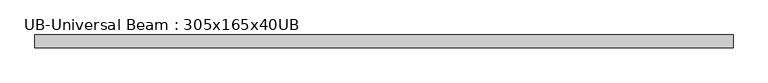
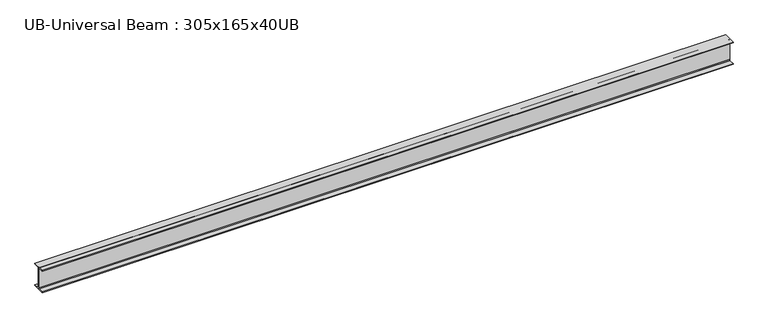
"""IFC4 building model written with IfcOpenShell, lengths in millimetres: beam geometry, UB-Universal Beam : 305x165x40UB."""

import ifcopenshell
import ifcopenshell.guid

model = None  # the IFC model being written
_history = None  # IfcOwnerHistory: only IFC2X3 demands one
_inside = {}  # id of a spatial element -> (the spatial element, [elements in it])
_under = {}  # id of a project, library or spatial element -> (it, [spatial elements below it])
_declared = {}  # id of a project -> (the project, [libraries it declares])
_typed = {}  # id of a type object -> (the type object, [elements of that type])
_made_of = {}  # id of a material, layer set ... -> (it, [elements and type objects made of it])


def new_model(schema):
    """Start an empty IFC model of exactly this schema.

    Asked for "IFC4X3", IfcOpenShell would pick the latest addendum, in which some entities
    have other attributes; the version numbers below select the first issue.
    IFC2X3 requires an IfcOwnerHistory on every rooted entity: one is made here for all.
    """
    global model, _history
    if schema == "IFC4X3":
        model = ifcopenshell.file(schema_version=(4, 3, 0, 0))
    else:
        model = ifcopenshell.file(schema=schema)
    _inside.clear()
    _under.clear()
    _declared.clear()
    _typed.clear()
    _made_of.clear()
    _history = None
    if model.schema == "IFC2X3":
        org = make("IfcOrganization", Name="unknown")
        user = make(
            "IfcPersonAndOrganization",
            ThePerson=make("IfcPerson", FamilyName="unknown"),
            TheOrganization=org,
        )
        app = make(
            "IfcApplication",
            ApplicationDeveloper=org,
            Version="unknown",
            ApplicationFullName="unknown",
            ApplicationIdentifier="unknown",
        )
        _history = make(
            "IfcOwnerHistory",
            OwningUser=user,
            OwningApplication=app,
            ChangeAction="ADDED",
            CreationDate=0,
        )
    return model


def make(cls, **values):
    """One entity of the class cls with the attributes given. An attribute that is None is left unset."""
    return model.create_entity(
        cls, **{name: value for name, value in values.items() if value is not None}
    )


def rooted(cls, **values):
    """An entity with a GlobalId (a new one), such as an element, a storey or a relation."""
    return make(cls, GlobalId=ifcopenshell.guid.new(), OwnerHistory=_history, **values)


def si_unit(unit_type, name, prefix=None):
    """IfcSIUnit, for example si_unit("LENGTHUNIT", "METRE", prefix="MILLI")."""
    return make("IfcSIUnit", UnitType=unit_type, Prefix=prefix, Name=name)


def assignment(units):
    """IfcUnitAssignment: the units of a project."""
    return None if units is None else make("IfcUnitAssignment", Units=units)


def point(xyz):
    """IfcCartesianPoint."""
    return None if xyz is None else make("IfcCartesianPoint", Coordinates=xyz)


def direction(xyz):
    """IfcDirection."""
    return None if xyz is None else make("IfcDirection", DirectionRatios=xyz)


def frame(location, z_axis=None, x_axis=None):
    """IfcAxis2Placement3D, a coordinate frame: its origin and axes. An axis left out is left unset."""
    return make(
        "IfcAxis2Placement3D",
        Location=point(location),
        Axis=direction(z_axis),
        RefDirection=direction(x_axis),
    )


def frame_2d(location, x_axis=None):
    """IfcAxis2Placement2D, a coordinate frame in the plane: its origin and x axis."""
    return make(
        "IfcAxis2Placement2D", Location=point(location), RefDirection=direction(x_axis)
    )


def origin():
    """The frame at (0, 0, 0) with its axes left unset."""
    return frame((0.0, 0.0, 0.0))


def place(relative_to, where):
    """IfcLocalPlacement: puts the frame where relative to a parent placement (None: the world)."""
    return make(
        "IfcLocalPlacement", PlacementRelTo=relative_to, RelativePlacement=where
    )


def context(
    kind, dimensions, precision=None, world=None, true_north=None, identifier=None
):
    """IfcGeometricRepresentationContext, for example the 3D "Model" context."""
    return make(
        "IfcGeometricRepresentationContext",
        ContextIdentifier=identifier,
        ContextType=kind,
        CoordinateSpaceDimension=dimensions,
        Precision=precision,
        WorldCoordinateSystem=world,
        TrueNorth=true_north,
    )


def project(units=None, contexts=None):
    """IfcProject with its units and contexts."""
    return rooted(
        "IfcProject",
        Name="project",
        RepresentationContexts=contexts,
        UnitsInContext=assignment(units),
    )


def spatial(cls, under=None, at=None, **own):
    """A site, building, storey or space (cls), placed at a placement, below another one or the project."""
    s = rooted(cls, ObjectPlacement=at, **own)
    if under is not None:
        _under.setdefault(under.id(), (under, []))[1].append(s)
    return s


def polyline(points):
    """IfcPolyline through the points."""
    return make("IfcPolyline", Points=[point(p) for p in points])


def circle_curve(where, radius):
    """IfcCircle in the frame where."""
    return make("IfcCircle", Position=where, Radius=radius)


def trimmed(basis, trim1, trim2, sense, master):
    """IfcTrimmedCurve: the piece of a basis curve between two trims."""
    return make(
        "IfcTrimmedCurve",
        BasisCurve=basis,
        Trim1=trim1,
        Trim2=trim2,
        SenseAgreement=sense,
        MasterRepresentation=master,
    )


def segment(curve, same_sense, transition):
    """IfcCompositeCurveSegment."""
    return make(
        "IfcCompositeCurveSegment",
        Transition=transition,
        SameSense=same_sense,
        ParentCurve=curve,
    )


def composite_curve(segments, self_intersect=None):
    """IfcCompositeCurve: segments joined end to end."""
    return make("IfcCompositeCurve", Segments=segments, SelfIntersect=self_intersect)


def outline(outer, holes=None, kind="AREA"):
    """IfcArbitraryClosedProfileDef: a profile drawn as a closed curve; with holes, ...WithVoids."""
    if holes is None:
        return make("IfcArbitraryClosedProfileDef", ProfileType=kind, OuterCurve=outer)
    return make(
        "IfcArbitraryProfileDefWithVoids",
        ProfileType=kind,
        OuterCurve=outer,
        InnerCurves=holes,
    )


def extrude(swept, where, along, depth):
    """IfcExtrudedAreaSolid: the profile swept, set in the frame where, extruded along a direction by depth."""
    return make(
        "IfcExtrudedAreaSolid",
        SweptArea=swept,
        Position=where,
        ExtrudedDirection=direction(along),
        Depth=depth,
    )


def shape(context_of_items, identifier, shape_type, items):
    """IfcShapeRepresentation: the items that make up one representation, for example the "Body"."""
    return make(
        "IfcShapeRepresentation",
        ContextOfItems=context_of_items,
        RepresentationIdentifier=identifier,
        RepresentationType=shape_type,
        Items=items,
    )


def source(mapping_origin, context_of_items, identifier, shape_type, items):
    """IfcRepresentationMap: a shape defined once, which mapped items show again and again."""
    return make(
        "IfcRepresentationMap",
        MappingOrigin=mapping_origin,
        MappedRepresentation=shape(context_of_items, identifier, shape_type, items),
    )


def transform(
    local_origin,
    x_axis=None,
    y_axis=None,
    z_axis=None,
    scale=None,
    scale2=None,
    scale3=None,
    uniform=True,
):
    """IfcCartesianTransformationOperator3D, or its non-uniform kind. x_axis, y_axis, z_axis: its Axis1, 2, 3."""
    if uniform:
        return make(
            "IfcCartesianTransformationOperator3D",
            Axis1=direction(x_axis),
            Axis2=direction(y_axis),
            LocalOrigin=point(local_origin),
            Scale=scale,
            Axis3=direction(z_axis),
        )
    return make(
        "IfcCartesianTransformationOperator3DnonUniform",
        Axis1=direction(x_axis),
        Axis2=direction(y_axis),
        LocalOrigin=point(local_origin),
        Scale=scale,
        Axis3=direction(z_axis),
        Scale2=scale2,
        Scale3=scale3,
    )


def mapped(mapping_source, mapping_target):
    """IfcMappedItem: shows the shape of a source again, moved by a transform."""
    return make(
        "IfcMappedItem", MappingSource=mapping_source, MappingTarget=mapping_target
    )


def made_of(thing, what):
    """Note that an element or type object is made of a material, layer set ...; save() writes the relation."""
    if what is not None:
        _made_of.setdefault(what.id(), (what, []))[1].append(thing)
    return thing


def element(
    cls,
    number,
    at=None,
    inside=None,
    cuts=None,
    type_object=None,
    material=None,
    context=None,
    identifier="Body",
    shape_type=None,
    held_by="IfcProductDefinitionShape",
    body=None,
    shapes=None,
    **own,
):
    """One element of the class cls, such as IfcWall. Its Tag is "e" and its number.

    at: its placement. inside: the storey or other place that contains it. cuts: it is an
    opening in that element (IfcRelVoidsElement). A single representation is given by context,
    identifier, shape_type and body (its items); several are given by shapes. held_by: the class
    of the entity that holds the representations. save() writes the other relations.
    """
    e = rooted(cls, Tag="e%d" % number, ObjectPlacement=at, **own)
    if body is not None:
        shapes = [shape(context, identifier, shape_type, body)]
    if shapes is not None:
        e.Representation = make(held_by, Representations=shapes)
    if inside is not None:
        _inside.setdefault(inside.id(), (inside, []))[1].append(e)
    if cuts is not None:
        rooted(
            "IfcRelVoidsElement", RelatingBuildingElement=cuts, RelatedOpeningElement=e
        )
    if type_object is not None:
        _typed.setdefault(type_object.id(), (type_object, []))[1].append(e)
    return made_of(e, material)


def aggregate(whole, parts):
    """IfcRelAggregates: a whole, such as a stair, and the parts it consists of."""
    return rooted("IfcRelAggregates", RelatingObject=whole, RelatedObjects=parts)


def save(model, path):
    """Write the relations noted so far, then the file.

    IfcRelAggregates (storeys below a building ...), IfcRelContainedInSpatialStructure (elements
    in a storey), IfcRelDefinesByType, IfcRelAssociatesMaterial and IfcRelDeclares: one each for
    every whole, place, type object, material and project.
    """
    for whole, parts in _under.values():
        aggregate(whole, parts)
    for where, things in _inside.values():
        rooted(
            "IfcRelContainedInSpatialStructure",
            RelatedElements=things,
            RelatingStructure=where,
        )
    for kind, things in _typed.values():
        rooted("IfcRelDefinesByType", RelatedObjects=things, RelatingType=kind)
    for what, things in _made_of.values():
        rooted("IfcRelAssociatesMaterial", RelatedObjects=things, RelatingMaterial=what)
    for by, libraries in _declared.values():
        rooted("IfcRelDeclares", RelatingContext=by, RelatedDefinitions=libraries)
    model.write(path)


def ub_universal_beam_305x165x40ub_1e08122e(model_context):
    return source(origin(), model_context, "Body", "SweptSolid", [
        extrude(outline(composite_curve([segment(polyline([(82.5, -141.5), (82.5, -151.7), (-82.5, -151.7), (-82.5, -141.5), (-11.9, -141.5)]), True, "CONTINUOUS"), segment(trimmed(circle_curve(frame_2d((-11.9, -132.6)), 8.9), [point((-11.9, -141.5))], [point((-3.0, -132.6))], True, "CARTESIAN"), True, "CONTINUOUS"), segment(polyline([(-3.0, -132.6), (-3.0, 132.6)]), True, "CONTINUOUS"), segment(trimmed(circle_curve(frame_2d((-11.9, 132.6)), 8.9), [point((-3.0, 132.6))], [point((-11.9, 141.5))], True, "CARTESIAN"), True, "CONTINUOUS"), segment(polyline([(-11.9, 141.5), (-82.5, 141.5), (-82.5, 151.7), (82.5, 151.7), (82.5, 141.5), (11.9, 141.5)]), True, "CONTINUOUS"), segment(trimmed(circle_curve(frame_2d((11.9, 132.6)), 8.9), [point((11.9, 141.5))], [point((3.0, 132.6))], True, "CARTESIAN"), True, "CONTINUOUS"), segment(polyline([(3.0, 132.6), (3.0, -132.6)]), True, "CONTINUOUS"), segment(trimmed(circle_curve(frame_2d((11.9, -132.6)), 8.9), [point((3.0, -132.6))], [point((11.9, -141.5))], True, "CARTESIAN"), True, "CONTINUOUS"), segment(polyline([(11.9, -141.5), (82.5, -141.5)]), True, "CONTINUOUS")], self_intersect=False)), frame((-4550.0, 0.0, 0.0), z_axis=(1.0, 0.0, 0.0), x_axis=(0.0, 1.0, 0.0)), (0.0, 0.0, 1.0), 8942.3),
    ])


if __name__ == "__main__":
    model = new_model("IFC4")
    model_context = context("Model", 3, world=origin())
    ifc_project = project(units=[si_unit("LENGTHUNIT", "METRE", prefix="MILLI")], contexts=[model_context])
    site = spatial("IfcSite", under=ifc_project)
    building = spatial("IfcBuilding", under=site)
    placement = place(None, origin())
    ub_universal_beam_305x165x40ub_shape = ub_universal_beam_305x165x40ub_1e08122e(model_context)
    element("IfcBeam", 1, ObjectType="UB-Universal Beam : 305x165x40UB", at=placement, inside=building, context=model_context, shape_type="MappedRepresentation", body=[
        mapped(ub_universal_beam_305x165x40ub_shape, transform((0.0, 0.0, 0.0), x_axis=(1.0, 0.0, 0.0), y_axis=(0.0, 1.0, 0.0), z_axis=(0.0, 0.0, 1.0))),
    ])
    save(model, "model.ifc")
